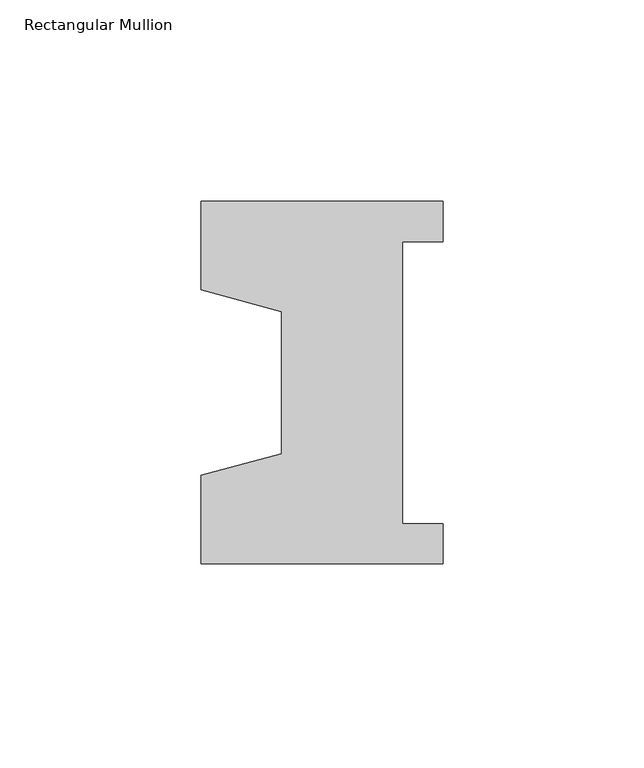
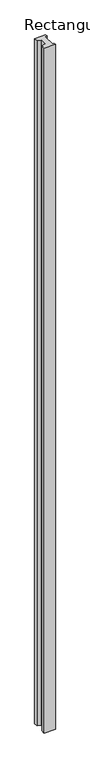
"""IFC4 building model written with IfcOpenShell, lengths in millimetres: member geometry, Rectangular Mullion."""

from ifc_helpers import new_model, si_unit, frame, origin, place, context, project, spatial, polyline, outline, extrude, source, transform, mapped, element, save


def rectangular_mullion_e50a24c8(model_context):
    return source(origin(), model_context, "Body", "SweptSolid", [
        extrude(outline(polyline([(-60.0, 45.0), (0.0, 45.0), (0.0, 35.0), (-10.0, 35.0), (-10.0, -35.0), (0.0, -35.0), (0.0, -45.0), (-60.0, -45.0), (-60.0, -22.9993165), (-40.0, -17.6401049), (-40.0, 17.6401049), (-60.0, 22.9993165), (-60.0, 45.0)])), frame((0.0, 0.0, -3927.0), z_axis=(0.0, 0.0, 1.0), x_axis=(1.0, 0.0, 0.0)), (0.0, 0.0, 1.0), 3927.0),
    ])


if __name__ == "__main__":
    model = new_model("IFC4")
    model_context = context("Model", 3, world=origin())
    ifc_project = project(units=[si_unit("LENGTHUNIT", "METRE", prefix="MILLI")], contexts=[model_context])
    site = spatial("IfcSite", under=ifc_project)
    building = spatial("IfcBuilding", under=site)
    placement = place(None, origin())
    rectangular_mullion_shape = rectangular_mullion_e50a24c8(model_context)
    element("IfcMember", 1, ObjectType="Rectangular Mullion", at=placement, inside=building, context=model_context, shape_type="MappedRepresentation", body=[
        mapped(rectangular_mullion_shape, transform((0.0, 0.0, 0.0), x_axis=(1.0, 0.0, 0.0), y_axis=(0.0, 1.0, 0.0), z_axis=(0.0, 0.0, 1.0))),
    ])
    save(model, "model.ifc")
